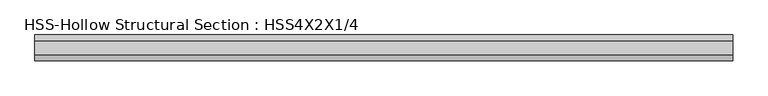
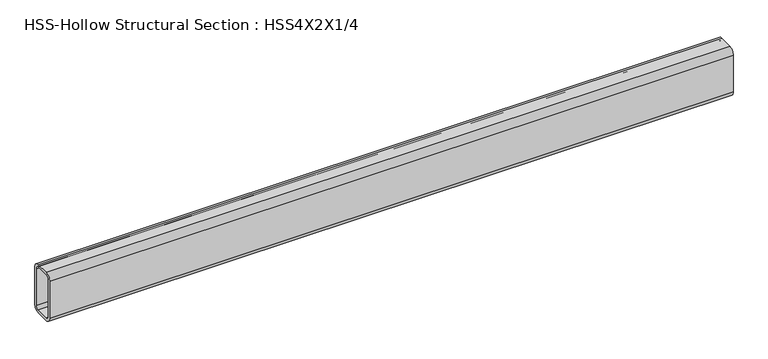
"""IFC4 building model written with IfcOpenShell, lengths in millimetres: beam geometry, HSS-Hollow Structural Section : HSS4X2X1/4."""

import ifcopenshell
import ifcopenshell.guid

model = None  # the IFC model being written
_history = None  # IfcOwnerHistory: only IFC2X3 demands one
_inside = {}  # id of a spatial element -> (the spatial element, [elements in it])
_under = {}  # id of a project, library or spatial element -> (it, [spatial elements below it])
_declared = {}  # id of a project -> (the project, [libraries it declares])
_typed = {}  # id of a type object -> (the type object, [elements of that type])
_made_of = {}  # id of a material, layer set ... -> (it, [elements and type objects made of it])


def new_model(schema):
    """Start an empty IFC model of exactly this schema.

    Asked for "IFC4X3", IfcOpenShell would pick the latest addendum, in which some entities
    have other attributes; the version numbers below select the first issue.
    IFC2X3 requires an IfcOwnerHistory on every rooted entity: one is made here for all.
    """
    global model, _history
    if schema == "IFC4X3":
        model = ifcopenshell.file(schema_version=(4, 3, 0, 0))
    else:
        model = ifcopenshell.file(schema=schema)
    _inside.clear()
    _under.clear()
    _declared.clear()
    _typed.clear()
    _made_of.clear()
    _history = None
    if model.schema == "IFC2X3":
        org = make("IfcOrganization", Name="unknown")
        user = make(
            "IfcPersonAndOrganization",
            ThePerson=make("IfcPerson", FamilyName="unknown"),
            TheOrganization=org,
        )
        app = make(
            "IfcApplication",
            ApplicationDeveloper=org,
            Version="unknown",
            ApplicationFullName="unknown",
            ApplicationIdentifier="unknown",
        )
        _history = make(
            "IfcOwnerHistory",
            OwningUser=user,
            OwningApplication=app,
            ChangeAction="ADDED",
            CreationDate=0,
        )
    return model


def make(cls, **values):
    """One entity of the class cls with the attributes given. An attribute that is None is left unset."""
    return model.create_entity(
        cls, **{name: value for name, value in values.items() if value is not None}
    )


def rooted(cls, **values):
    """An entity with a GlobalId (a new one), such as an element, a storey or a relation."""
    return make(cls, GlobalId=ifcopenshell.guid.new(), OwnerHistory=_history, **values)


def si_unit(unit_type, name, prefix=None):
    """IfcSIUnit, for example si_unit("LENGTHUNIT", "METRE", prefix="MILLI")."""
    return make("IfcSIUnit", UnitType=unit_type, Prefix=prefix, Name=name)


def assignment(units):
    """IfcUnitAssignment: the units of a project."""
    return None if units is None else make("IfcUnitAssignment", Units=units)


def point(xyz):
    """IfcCartesianPoint."""
    return None if xyz is None else make("IfcCartesianPoint", Coordinates=xyz)


def direction(xyz):
    """IfcDirection."""
    return None if xyz is None else make("IfcDirection", DirectionRatios=xyz)


def frame(location, z_axis=None, x_axis=None):
    """IfcAxis2Placement3D, a coordinate frame: its origin and axes. An axis left out is left unset."""
    return make(
        "IfcAxis2Placement3D",
        Location=point(location),
        Axis=direction(z_axis),
        RefDirection=direction(x_axis),
    )


def frame_2d(location, x_axis=None):
    """IfcAxis2Placement2D, a coordinate frame in the plane: its origin and x axis."""
    return make(
        "IfcAxis2Placement2D", Location=point(location), RefDirection=direction(x_axis)
    )


def origin():
    """The frame at (0, 0, 0) with its axes left unset."""
    return frame((0.0, 0.0, 0.0))


def place(relative_to, where):
    """IfcLocalPlacement: puts the frame where relative to a parent placement (None: the world)."""
    return make(
        "IfcLocalPlacement", PlacementRelTo=relative_to, RelativePlacement=where
    )


def context(
    kind, dimensions, precision=None, world=None, true_north=None, identifier=None
):
    """IfcGeometricRepresentationContext, for example the 3D "Model" context."""
    return make(
        "IfcGeometricRepresentationContext",
        ContextIdentifier=identifier,
        ContextType=kind,
        CoordinateSpaceDimension=dimensions,
        Precision=precision,
        WorldCoordinateSystem=world,
        TrueNorth=true_north,
    )


def project(units=None, contexts=None):
    """IfcProject with its units and contexts."""
    return rooted(
        "IfcProject",
        Name="project",
        RepresentationContexts=contexts,
        UnitsInContext=assignment(units),
    )


def spatial(cls, under=None, at=None, **own):
    """A site, building, storey or space (cls), placed at a placement, below another one or the project."""
    s = rooted(cls, ObjectPlacement=at, **own)
    if under is not None:
        _under.setdefault(under.id(), (under, []))[1].append(s)
    return s


def polyline(points):
    """IfcPolyline through the points."""
    return make("IfcPolyline", Points=[point(p) for p in points])


def circle_curve(where, radius):
    """IfcCircle in the frame where."""
    return make("IfcCircle", Position=where, Radius=radius)


def trimmed(basis, trim1, trim2, sense, master):
    """IfcTrimmedCurve: the piece of a basis curve between two trims."""
    return make(
        "IfcTrimmedCurve",
        BasisCurve=basis,
        Trim1=trim1,
        Trim2=trim2,
        SenseAgreement=sense,
        MasterRepresentation=master,
    )


def segment(curve, same_sense, transition):
    """IfcCompositeCurveSegment."""
    return make(
        "IfcCompositeCurveSegment",
        Transition=transition,
        SameSense=same_sense,
        ParentCurve=curve,
    )


def composite_curve(segments, self_intersect=None):
    """IfcCompositeCurve: segments joined end to end."""
    return make("IfcCompositeCurve", Segments=segments, SelfIntersect=self_intersect)


def outline(outer, holes=None, kind="AREA"):
    """IfcArbitraryClosedProfileDef: a profile drawn as a closed curve; with holes, ...WithVoids."""
    if holes is None:
        return make("IfcArbitraryClosedProfileDef", ProfileType=kind, OuterCurve=outer)
    return make(
        "IfcArbitraryProfileDefWithVoids",
        ProfileType=kind,
        OuterCurve=outer,
        InnerCurves=holes,
    )


def extrude(swept, where, along, depth):
    """IfcExtrudedAreaSolid: the profile swept, set in the frame where, extruded along a direction by depth."""
    return make(
        "IfcExtrudedAreaSolid",
        SweptArea=swept,
        Position=where,
        ExtrudedDirection=direction(along),
        Depth=depth,
    )


def shape(context_of_items, identifier, shape_type, items):
    """IfcShapeRepresentation: the items that make up one representation, for example the "Body"."""
    return make(
        "IfcShapeRepresentation",
        ContextOfItems=context_of_items,
        RepresentationIdentifier=identifier,
        RepresentationType=shape_type,
        Items=items,
    )


def source(mapping_origin, context_of_items, identifier, shape_type, items):
    """IfcRepresentationMap: a shape defined once, which mapped items show again and again."""
    return make(
        "IfcRepresentationMap",
        MappingOrigin=mapping_origin,
        MappedRepresentation=shape(context_of_items, identifier, shape_type, items),
    )


def transform(
    local_origin,
    x_axis=None,
    y_axis=None,
    z_axis=None,
    scale=None,
    scale2=None,
    scale3=None,
    uniform=True,
):
    """IfcCartesianTransformationOperator3D, or its non-uniform kind. x_axis, y_axis, z_axis: its Axis1, 2, 3."""
    if uniform:
        return make(
            "IfcCartesianTransformationOperator3D",
            Axis1=direction(x_axis),
            Axis2=direction(y_axis),
            LocalOrigin=point(local_origin),
            Scale=scale,
            Axis3=direction(z_axis),
        )
    return make(
        "IfcCartesianTransformationOperator3DnonUniform",
        Axis1=direction(x_axis),
        Axis2=direction(y_axis),
        LocalOrigin=point(local_origin),
        Scale=scale,
        Axis3=direction(z_axis),
        Scale2=scale2,
        Scale3=scale3,
    )


def mapped(mapping_source, mapping_target):
    """IfcMappedItem: shows the shape of a source again, moved by a transform."""
    return make(
        "IfcMappedItem", MappingSource=mapping_source, MappingTarget=mapping_target
    )


def made_of(thing, what):
    """Note that an element or type object is made of a material, layer set ...; save() writes the relation."""
    if what is not None:
        _made_of.setdefault(what.id(), (what, []))[1].append(thing)
    return thing


def element(
    cls,
    number,
    at=None,
    inside=None,
    cuts=None,
    type_object=None,
    material=None,
    context=None,
    identifier="Body",
    shape_type=None,
    held_by="IfcProductDefinitionShape",
    body=None,
    shapes=None,
    **own,
):
    """One element of the class cls, such as IfcWall. Its Tag is "e" and its number.

    at: its placement. inside: the storey or other place that contains it. cuts: it is an
    opening in that element (IfcRelVoidsElement). A single representation is given by context,
    identifier, shape_type and body (its items); several are given by shapes. held_by: the class
    of the entity that holds the representations. save() writes the other relations.
    """
    e = rooted(cls, Tag="e%d" % number, ObjectPlacement=at, **own)
    if body is not None:
        shapes = [shape(context, identifier, shape_type, body)]
    if shapes is not None:
        e.Representation = make(held_by, Representations=shapes)
    if inside is not None:
        _inside.setdefault(inside.id(), (inside, []))[1].append(e)
    if cuts is not None:
        rooted(
            "IfcRelVoidsElement", RelatingBuildingElement=cuts, RelatedOpeningElement=e
        )
    if type_object is not None:
        _typed.setdefault(type_object.id(), (type_object, []))[1].append(e)
    return made_of(e, material)


def aggregate(whole, parts):
    """IfcRelAggregates: a whole, such as a stair, and the parts it consists of."""
    return rooted("IfcRelAggregates", RelatingObject=whole, RelatedObjects=parts)


def save(model, path):
    """Write the relations noted so far, then the file.

    IfcRelAggregates (storeys below a building ...), IfcRelContainedInSpatialStructure (elements
    in a storey), IfcRelDefinesByType, IfcRelAssociatesMaterial and IfcRelDeclares: one each for
    every whole, place, type object, material and project.
    """
    for whole, parts in _under.values():
        aggregate(whole, parts)
    for where, things in _inside.values():
        rooted(
            "IfcRelContainedInSpatialStructure",
            RelatedElements=things,
            RelatingStructure=where,
        )
    for kind, things in _typed.values():
        rooted("IfcRelDefinesByType", RelatedObjects=things, RelatingType=kind)
    for what, things in _made_of.values():
        rooted("IfcRelAssociatesMaterial", RelatedObjects=things, RelatingMaterial=what)
    for by, libraries in _declared.values():
        rooted("IfcRelDeclares", RelatingContext=by, RelatedDefinitions=libraries)
    model.write(path)


def hss_hollow_structural_section_hss4x2x1_4_5de05c8a(model_context):
    return source(origin(), model_context, "Body", "SweptSolid", [
        extrude(outline(composite_curve([segment(polyline([(25.4, 38.9636), (25.4, -38.9636)]), True, "CONTINUOUS"), segment(trimmed(circle_curve(frame_2d((13.5636, -38.9636)), 11.8364), [point((25.4, -38.9636))], [point((13.5636, -50.8))], False, "CARTESIAN"), True, "CONTINUOUS"), segment(polyline([(13.5636, -50.8), (-13.5636, -50.8)]), True, "CONTINUOUS"), segment(trimmed(circle_curve(frame_2d((-13.5636, -38.9636)), 11.8364), [point((-13.5636, -50.8))], [point((-25.4, -38.9636))], False, "CARTESIAN"), True, "CONTINUOUS"), segment(polyline([(-25.4, -38.9636), (-25.4, 38.9636)]), True, "CONTINUOUS"), segment(trimmed(circle_curve(frame_2d((-13.5636, 38.9636)), 11.8364), [point((-25.4, 38.9636))], [point((-13.5636, 50.8))], False, "CARTESIAN"), True, "CONTINUOUS"), segment(polyline([(-13.5636, 50.8), (13.5636, 50.8)]), True, "CONTINUOUS"), segment(trimmed(circle_curve(frame_2d((13.5636, 38.9636)), 11.8364), [point((13.5636, 50.8))], [point((25.4, 38.9636))], False, "CARTESIAN"), True, "CONTINUOUS")], self_intersect=False), holes=[composite_curve([segment(trimmed(circle_curve(frame_2d((-13.5636, 38.9636)), 5.9182), [point((-13.5636, 44.8818))], [point((-19.4818, 38.9636))], True, "CARTESIAN"), True, "CONTINUOUS"), segment(polyline([(-19.4818, 38.9636), (-19.4818, -38.9636)]), True, "CONTINUOUS"), segment(trimmed(circle_curve(frame_2d((-13.5636, -38.9636)), 5.9182), [point((-19.4818, -38.9636))], [point((-13.5636, -44.8818))], True, "CARTESIAN"), True, "CONTINUOUS"), segment(polyline([(-13.5636, -44.8818), (13.5636, -44.8818)]), True, "CONTINUOUS"), segment(trimmed(circle_curve(frame_2d((13.5636, -38.9636)), 5.9182), [point((13.5636, -44.8818))], [point((19.4818, -38.9636))], True, "CARTESIAN"), True, "CONTINUOUS"), segment(polyline([(19.4818, -38.9636), (19.4818, 38.9636)]), True, "CONTINUOUS"), segment(trimmed(circle_curve(frame_2d((13.5636, 38.9636)), 5.9182), [point((19.4818, 38.9636))], [point((13.5636, 44.8818))], True, "CARTESIAN"), True, "CONTINUOUS"), segment(polyline([(13.5636, 44.8818), (-13.5636, 44.8818)]), True, "CONTINUOUS")], self_intersect=False)]), frame((-682.879, 0.0, 0.0), z_axis=(1.0, 0.0, 0.0), x_axis=(0.0, 1.0, 0.0)), (0.0, 0.0, 1.0), 1365.758),
    ])


if __name__ == "__main__":
    model = new_model("IFC4")
    model_context = context("Model", 3, world=origin())
    ifc_project = project(units=[si_unit("LENGTHUNIT", "METRE", prefix="MILLI")], contexts=[model_context])
    site = spatial("IfcSite", under=ifc_project)
    building = spatial("IfcBuilding", under=site)
    placement = place(None, origin())
    hss_hollow_structural_section_hss4x2x1_4_shape = hss_hollow_structural_section_hss4x2x1_4_5de05c8a(model_context)
    element("IfcBeam", 1, ObjectType="HSS-Hollow Structural Section : HSS4X2X1/4", at=placement, inside=building, context=model_context, shape_type="MappedRepresentation", body=[
        mapped(hss_hollow_structural_section_hss4x2x1_4_shape, transform((0.0, 0.0, 0.0), x_axis=(1.0, 0.0, 0.0), y_axis=(0.0, 1.0, 0.0), z_axis=(0.0, 0.0, 1.0))),
    ])
    save(model, "model.ifc")
